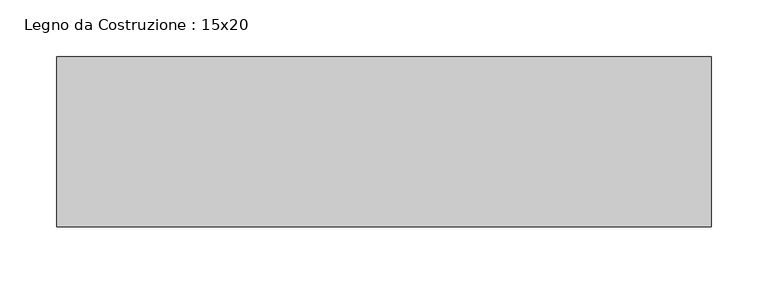
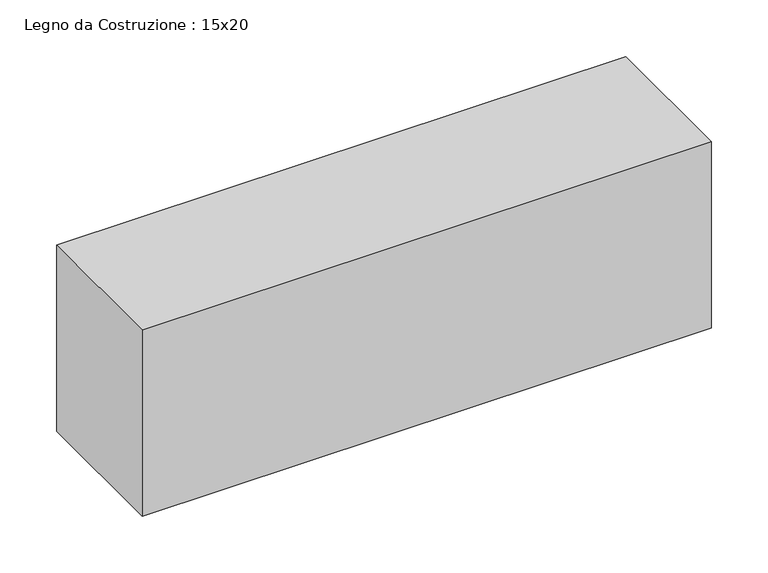
"""IFC4 building model written with IfcOpenShell, lengths in millimetres: beam geometry, Legno da Costruzione : 15x20."""

import ifcopenshell
import ifcopenshell.guid

model = None  # the IFC model being written
_history = None  # IfcOwnerHistory: only IFC2X3 demands one
_inside = {}  # id of a spatial element -> (the spatial element, [elements in it])
_under = {}  # id of a project, library or spatial element -> (it, [spatial elements below it])
_declared = {}  # id of a project -> (the project, [libraries it declares])
_typed = {}  # id of a type object -> (the type object, [elements of that type])
_made_of = {}  # id of a material, layer set ... -> (it, [elements and type objects made of it])


def new_model(schema):
    """Start an empty IFC model of exactly this schema.

    Asked for "IFC4X3", IfcOpenShell would pick the latest addendum, in which some entities
    have other attributes; the version numbers below select the first issue.
    IFC2X3 requires an IfcOwnerHistory on every rooted entity: one is made here for all.
    """
    global model, _history
    if schema == "IFC4X3":
        model = ifcopenshell.file(schema_version=(4, 3, 0, 0))
    else:
        model = ifcopenshell.file(schema=schema)
    _inside.clear()
    _under.clear()
    _declared.clear()
    _typed.clear()
    _made_of.clear()
    _history = None
    if model.schema == "IFC2X3":
        org = make("IfcOrganization", Name="unknown")
        user = make(
            "IfcPersonAndOrganization",
            ThePerson=make("IfcPerson", FamilyName="unknown"),
            TheOrganization=org,
        )
        app = make(
            "IfcApplication",
            ApplicationDeveloper=org,
            Version="unknown",
            ApplicationFullName="unknown",
            ApplicationIdentifier="unknown",
        )
        _history = make(
            "IfcOwnerHistory",
            OwningUser=user,
            OwningApplication=app,
            ChangeAction="ADDED",
            CreationDate=0,
        )
    return model


def make(cls, **values):
    """One entity of the class cls with the attributes given. An attribute that is None is left unset."""
    return model.create_entity(
        cls, **{name: value for name, value in values.items() if value is not None}
    )


def rooted(cls, **values):
    """An entity with a GlobalId (a new one), such as an element, a storey or a relation."""
    return make(cls, GlobalId=ifcopenshell.guid.new(), OwnerHistory=_history, **values)


def si_unit(unit_type, name, prefix=None):
    """IfcSIUnit, for example si_unit("LENGTHUNIT", "METRE", prefix="MILLI")."""
    return make("IfcSIUnit", UnitType=unit_type, Prefix=prefix, Name=name)


def assignment(units):
    """IfcUnitAssignment: the units of a project."""
    return None if units is None else make("IfcUnitAssignment", Units=units)


def point(xyz):
    """IfcCartesianPoint."""
    return None if xyz is None else make("IfcCartesianPoint", Coordinates=xyz)


def direction(xyz):
    """IfcDirection."""
    return None if xyz is None else make("IfcDirection", DirectionRatios=xyz)


def frame(location, z_axis=None, x_axis=None):
    """IfcAxis2Placement3D, a coordinate frame: its origin and axes. An axis left out is left unset."""
    return make(
        "IfcAxis2Placement3D",
        Location=point(location),
        Axis=direction(z_axis),
        RefDirection=direction(x_axis),
    )


def origin():
    """The frame at (0, 0, 0) with its axes left unset."""
    return frame((0.0, 0.0, 0.0))


def place(relative_to, where):
    """IfcLocalPlacement: puts the frame where relative to a parent placement (None: the world)."""
    return make(
        "IfcLocalPlacement", PlacementRelTo=relative_to, RelativePlacement=where
    )


def context(
    kind, dimensions, precision=None, world=None, true_north=None, identifier=None
):
    """IfcGeometricRepresentationContext, for example the 3D "Model" context."""
    return make(
        "IfcGeometricRepresentationContext",
        ContextIdentifier=identifier,
        ContextType=kind,
        CoordinateSpaceDimension=dimensions,
        Precision=precision,
        WorldCoordinateSystem=world,
        TrueNorth=true_north,
    )


def project(units=None, contexts=None):
    """IfcProject with its units and contexts."""
    return rooted(
        "IfcProject",
        Name="project",
        RepresentationContexts=contexts,
        UnitsInContext=assignment(units),
    )


def spatial(cls, under=None, at=None, **own):
    """A site, building, storey or space (cls), placed at a placement, below another one or the project."""
    s = rooted(cls, ObjectPlacement=at, **own)
    if under is not None:
        _under.setdefault(under.id(), (under, []))[1].append(s)
    return s


def polyline(points):
    """IfcPolyline through the points."""
    return make("IfcPolyline", Points=[point(p) for p in points])


def outline(outer, holes=None, kind="AREA"):
    """IfcArbitraryClosedProfileDef: a profile drawn as a closed curve; with holes, ...WithVoids."""
    if holes is None:
        return make("IfcArbitraryClosedProfileDef", ProfileType=kind, OuterCurve=outer)
    return make(
        "IfcArbitraryProfileDefWithVoids",
        ProfileType=kind,
        OuterCurve=outer,
        InnerCurves=holes,
    )


def extrude(swept, where, along, depth):
    """IfcExtrudedAreaSolid: the profile swept, set in the frame where, extruded along a direction by depth."""
    return make(
        "IfcExtrudedAreaSolid",
        SweptArea=swept,
        Position=where,
        ExtrudedDirection=direction(along),
        Depth=depth,
    )


def shape(context_of_items, identifier, shape_type, items):
    """IfcShapeRepresentation: the items that make up one representation, for example the "Body"."""
    return make(
        "IfcShapeRepresentation",
        ContextOfItems=context_of_items,
        RepresentationIdentifier=identifier,
        RepresentationType=shape_type,
        Items=items,
    )


def source(mapping_origin, context_of_items, identifier, shape_type, items):
    """IfcRepresentationMap: a shape defined once, which mapped items show again and again."""
    return make(
        "IfcRepresentationMap",
        MappingOrigin=mapping_origin,
        MappedRepresentation=shape(context_of_items, identifier, shape_type, items),
    )


def transform(
    local_origin,
    x_axis=None,
    y_axis=None,
    z_axis=None,
    scale=None,
    scale2=None,
    scale3=None,
    uniform=True,
):
    """IfcCartesianTransformationOperator3D, or its non-uniform kind. x_axis, y_axis, z_axis: its Axis1, 2, 3."""
    if uniform:
        return make(
            "IfcCartesianTransformationOperator3D",
            Axis1=direction(x_axis),
            Axis2=direction(y_axis),
            LocalOrigin=point(local_origin),
            Scale=scale,
            Axis3=direction(z_axis),
        )
    return make(
        "IfcCartesianTransformationOperator3DnonUniform",
        Axis1=direction(x_axis),
        Axis2=direction(y_axis),
        LocalOrigin=point(local_origin),
        Scale=scale,
        Axis3=direction(z_axis),
        Scale2=scale2,
        Scale3=scale3,
    )


def mapped(mapping_source, mapping_target):
    """IfcMappedItem: shows the shape of a source again, moved by a transform."""
    return make(
        "IfcMappedItem", MappingSource=mapping_source, MappingTarget=mapping_target
    )


def made_of(thing, what):
    """Note that an element or type object is made of a material, layer set ...; save() writes the relation."""
    if what is not None:
        _made_of.setdefault(what.id(), (what, []))[1].append(thing)
    return thing


def element(
    cls,
    number,
    at=None,
    inside=None,
    cuts=None,
    type_object=None,
    material=None,
    context=None,
    identifier="Body",
    shape_type=None,
    held_by="IfcProductDefinitionShape",
    body=None,
    shapes=None,
    **own,
):
    """One element of the class cls, such as IfcWall. Its Tag is "e" and its number.

    at: its placement. inside: the storey or other place that contains it. cuts: it is an
    opening in that element (IfcRelVoidsElement). A single representation is given by context,
    identifier, shape_type and body (its items); several are given by shapes. held_by: the class
    of the entity that holds the representations. save() writes the other relations.
    """
    e = rooted(cls, Tag="e%d" % number, ObjectPlacement=at, **own)
    if body is not None:
        shapes = [shape(context, identifier, shape_type, body)]
    if shapes is not None:
        e.Representation = make(held_by, Representations=shapes)
    if inside is not None:
        _inside.setdefault(inside.id(), (inside, []))[1].append(e)
    if cuts is not None:
        rooted(
            "IfcRelVoidsElement", RelatingBuildingElement=cuts, RelatedOpeningElement=e
        )
    if type_object is not None:
        _typed.setdefault(type_object.id(), (type_object, []))[1].append(e)
    return made_of(e, material)


def aggregate(whole, parts):
    """IfcRelAggregates: a whole, such as a stair, and the parts it consists of."""
    return rooted("IfcRelAggregates", RelatingObject=whole, RelatedObjects=parts)


def save(model, path):
    """Write the relations noted so far, then the file.

    IfcRelAggregates (storeys below a building ...), IfcRelContainedInSpatialStructure (elements
    in a storey), IfcRelDefinesByType, IfcRelAssociatesMaterial and IfcRelDeclares: one each for
    every whole, place, type object, material and project.
    """
    for whole, parts in _under.values():
        aggregate(whole, parts)
    for where, things in _inside.values():
        rooted(
            "IfcRelContainedInSpatialStructure",
            RelatedElements=things,
            RelatingStructure=where,
        )
    for kind, things in _typed.values():
        rooted("IfcRelDefinesByType", RelatedObjects=things, RelatingType=kind)
    for what, things in _made_of.values():
        rooted("IfcRelAssociatesMaterial", RelatedObjects=things, RelatingMaterial=what)
    for by, libraries in _declared.values():
        rooted("IfcRelDeclares", RelatingContext=by, RelatedDefinitions=libraries)
    model.write(path)


def legno_da_costruzione_15x20_3ee1f1f5(model_context):
    return source(origin(), model_context, "Body", "SweptSolid", [
        extrude(outline(polyline([(458.0, 75.0), (458.0, -75.0), (-119.0, -75.0), (-119.0, 75.0), (458.0, 75.0)])), frame((0.0, 0.0, -100.0), z_axis=(0.0, 0.0, 1.0), x_axis=(1.0, 0.0, 0.0)), (0.0, 0.0, 1.0), 200.0),
    ])


if __name__ == "__main__":
    model = new_model("IFC4")
    model_context = context("Model", 3, world=origin())
    ifc_project = project(units=[si_unit("LENGTHUNIT", "METRE", prefix="MILLI")], contexts=[model_context])
    site = spatial("IfcSite", under=ifc_project)
    building = spatial("IfcBuilding", under=site)
    placement = place(None, origin())
    legno_da_costruzione_15x20_shape = legno_da_costruzione_15x20_3ee1f1f5(model_context)
    element("IfcBeam", 1, ObjectType="Legno da Costruzione : 15x20", at=placement, inside=building, context=model_context, shape_type="MappedRepresentation", body=[
        mapped(legno_da_costruzione_15x20_shape, transform((0.0, 0.0, 0.0), x_axis=(1.0, 0.0, 0.0), y_axis=(0.0, 1.0, 0.0), z_axis=(0.0, 0.0, 1.0))),
    ])
    save(model, "model.ifc")
